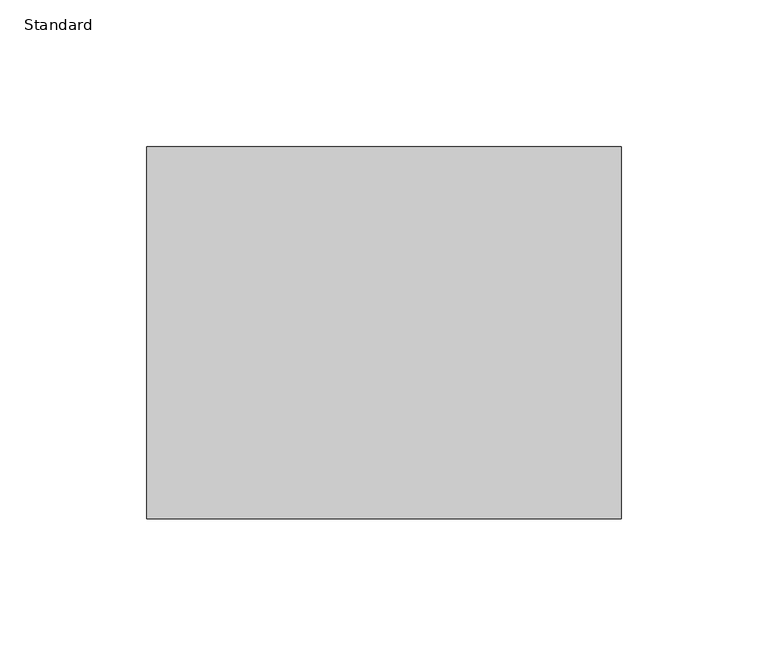
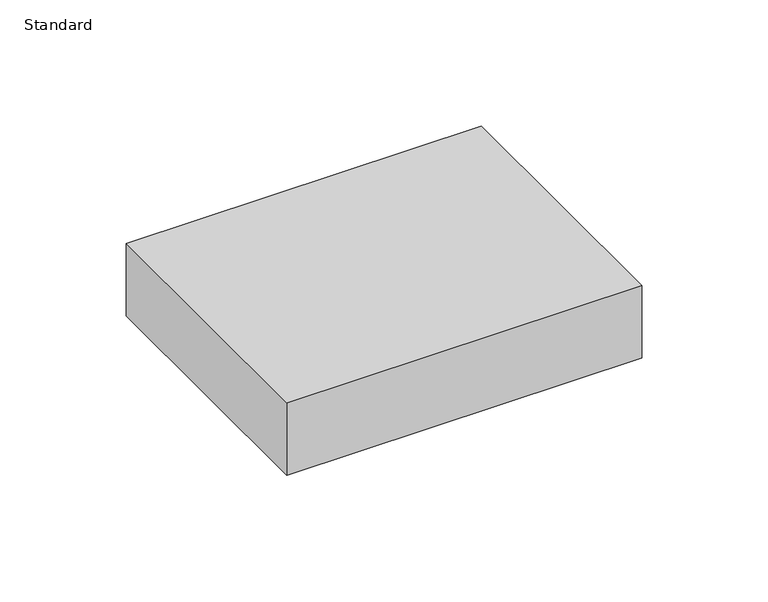
"""IFC4 building model written with IfcOpenShell, lengths in millimetres: proxy geometry, Standard."""

import ifcopenshell
import ifcopenshell.guid

model = None  # the IFC model being written
_history = None  # IfcOwnerHistory: only IFC2X3 demands one
_inside = {}  # id of a spatial element -> (the spatial element, [elements in it])
_under = {}  # id of a project, library or spatial element -> (it, [spatial elements below it])
_declared = {}  # id of a project -> (the project, [libraries it declares])
_typed = {}  # id of a type object -> (the type object, [elements of that type])
_made_of = {}  # id of a material, layer set ... -> (it, [elements and type objects made of it])


def new_model(schema):
    """Start an empty IFC model of exactly this schema.

    Asked for "IFC4X3", IfcOpenShell would pick the latest addendum, in which some entities
    have other attributes; the version numbers below select the first issue.
    IFC2X3 requires an IfcOwnerHistory on every rooted entity: one is made here for all.
    """
    global model, _history
    if schema == "IFC4X3":
        model = ifcopenshell.file(schema_version=(4, 3, 0, 0))
    else:
        model = ifcopenshell.file(schema=schema)
    _inside.clear()
    _under.clear()
    _declared.clear()
    _typed.clear()
    _made_of.clear()
    _history = None
    if model.schema == "IFC2X3":
        org = make("IfcOrganization", Name="unknown")
        user = make(
            "IfcPersonAndOrganization",
            ThePerson=make("IfcPerson", FamilyName="unknown"),
            TheOrganization=org,
        )
        app = make(
            "IfcApplication",
            ApplicationDeveloper=org,
            Version="unknown",
            ApplicationFullName="unknown",
            ApplicationIdentifier="unknown",
        )
        _history = make(
            "IfcOwnerHistory",
            OwningUser=user,
            OwningApplication=app,
            ChangeAction="ADDED",
            CreationDate=0,
        )
    return model


def make(cls, **values):
    """One entity of the class cls with the attributes given. An attribute that is None is left unset."""
    return model.create_entity(
        cls, **{name: value for name, value in values.items() if value is not None}
    )


def rooted(cls, **values):
    """An entity with a GlobalId (a new one), such as an element, a storey or a relation."""
    return make(cls, GlobalId=ifcopenshell.guid.new(), OwnerHistory=_history, **values)


def si_unit(unit_type, name, prefix=None):
    """IfcSIUnit, for example si_unit("LENGTHUNIT", "METRE", prefix="MILLI")."""
    return make("IfcSIUnit", UnitType=unit_type, Prefix=prefix, Name=name)


def assignment(units):
    """IfcUnitAssignment: the units of a project."""
    return None if units is None else make("IfcUnitAssignment", Units=units)


def point(xyz):
    """IfcCartesianPoint."""
    return None if xyz is None else make("IfcCartesianPoint", Coordinates=xyz)


def direction(xyz):
    """IfcDirection."""
    return None if xyz is None else make("IfcDirection", DirectionRatios=xyz)


def frame(location, z_axis=None, x_axis=None):
    """IfcAxis2Placement3D, a coordinate frame: its origin and axes. An axis left out is left unset."""
    return make(
        "IfcAxis2Placement3D",
        Location=point(location),
        Axis=direction(z_axis),
        RefDirection=direction(x_axis),
    )


def origin():
    """The frame at (0, 0, 0) with its axes left unset."""
    return frame((0.0, 0.0, 0.0))


def origin_with_axes():
    """The frame at (0, 0, 0) with the z axis (0, 0, 1) and the x axis (1, 0, 0) written out."""
    return frame((0.0, 0.0, 0.0), z_axis=(0.0, 0.0, 1.0), x_axis=(1.0, 0.0, 0.0))


def place(relative_to, where):
    """IfcLocalPlacement: puts the frame where relative to a parent placement (None: the world)."""
    return make(
        "IfcLocalPlacement", PlacementRelTo=relative_to, RelativePlacement=where
    )


def context(
    kind, dimensions, precision=None, world=None, true_north=None, identifier=None
):
    """IfcGeometricRepresentationContext, for example the 3D "Model" context."""
    return make(
        "IfcGeometricRepresentationContext",
        ContextIdentifier=identifier,
        ContextType=kind,
        CoordinateSpaceDimension=dimensions,
        Precision=precision,
        WorldCoordinateSystem=world,
        TrueNorth=true_north,
    )


def project(units=None, contexts=None):
    """IfcProject with its units and contexts."""
    return rooted(
        "IfcProject",
        Name="project",
        RepresentationContexts=contexts,
        UnitsInContext=assignment(units),
    )


def spatial(cls, under=None, at=None, **own):
    """A site, building, storey or space (cls), placed at a placement, below another one or the project."""
    s = rooted(cls, ObjectPlacement=at, **own)
    if under is not None:
        _under.setdefault(under.id(), (under, []))[1].append(s)
    return s


def polyline(points):
    """IfcPolyline through the points."""
    return make("IfcPolyline", Points=[point(p) for p in points])


def outline(outer, holes=None, kind="AREA"):
    """IfcArbitraryClosedProfileDef: a profile drawn as a closed curve; with holes, ...WithVoids."""
    if holes is None:
        return make("IfcArbitraryClosedProfileDef", ProfileType=kind, OuterCurve=outer)
    return make(
        "IfcArbitraryProfileDefWithVoids",
        ProfileType=kind,
        OuterCurve=outer,
        InnerCurves=holes,
    )


def extrude(swept, where, along, depth):
    """IfcExtrudedAreaSolid: the profile swept, set in the frame where, extruded along a direction by depth."""
    return make(
        "IfcExtrudedAreaSolid",
        SweptArea=swept,
        Position=where,
        ExtrudedDirection=direction(along),
        Depth=depth,
    )


def shape(context_of_items, identifier, shape_type, items):
    """IfcShapeRepresentation: the items that make up one representation, for example the "Body"."""
    return make(
        "IfcShapeRepresentation",
        ContextOfItems=context_of_items,
        RepresentationIdentifier=identifier,
        RepresentationType=shape_type,
        Items=items,
    )


def source(mapping_origin, context_of_items, identifier, shape_type, items):
    """IfcRepresentationMap: a shape defined once, which mapped items show again and again."""
    return make(
        "IfcRepresentationMap",
        MappingOrigin=mapping_origin,
        MappedRepresentation=shape(context_of_items, identifier, shape_type, items),
    )


def transform(
    local_origin,
    x_axis=None,
    y_axis=None,
    z_axis=None,
    scale=None,
    scale2=None,
    scale3=None,
    uniform=True,
):
    """IfcCartesianTransformationOperator3D, or its non-uniform kind. x_axis, y_axis, z_axis: its Axis1, 2, 3."""
    if uniform:
        return make(
            "IfcCartesianTransformationOperator3D",
            Axis1=direction(x_axis),
            Axis2=direction(y_axis),
            LocalOrigin=point(local_origin),
            Scale=scale,
            Axis3=direction(z_axis),
        )
    return make(
        "IfcCartesianTransformationOperator3DnonUniform",
        Axis1=direction(x_axis),
        Axis2=direction(y_axis),
        LocalOrigin=point(local_origin),
        Scale=scale,
        Axis3=direction(z_axis),
        Scale2=scale2,
        Scale3=scale3,
    )


def mapped(mapping_source, mapping_target):
    """IfcMappedItem: shows the shape of a source again, moved by a transform."""
    return make(
        "IfcMappedItem", MappingSource=mapping_source, MappingTarget=mapping_target
    )


def made_of(thing, what):
    """Note that an element or type object is made of a material, layer set ...; save() writes the relation."""
    if what is not None:
        _made_of.setdefault(what.id(), (what, []))[1].append(thing)
    return thing


def element(
    cls,
    number,
    at=None,
    inside=None,
    cuts=None,
    type_object=None,
    material=None,
    context=None,
    identifier="Body",
    shape_type=None,
    held_by="IfcProductDefinitionShape",
    body=None,
    shapes=None,
    **own,
):
    """One element of the class cls, such as IfcWall. Its Tag is "e" and its number.

    at: its placement. inside: the storey or other place that contains it. cuts: it is an
    opening in that element (IfcRelVoidsElement). A single representation is given by context,
    identifier, shape_type and body (its items); several are given by shapes. held_by: the class
    of the entity that holds the representations. save() writes the other relations.
    """
    e = rooted(cls, Tag="e%d" % number, ObjectPlacement=at, **own)
    if body is not None:
        shapes = [shape(context, identifier, shape_type, body)]
    if shapes is not None:
        e.Representation = make(held_by, Representations=shapes)
    if inside is not None:
        _inside.setdefault(inside.id(), (inside, []))[1].append(e)
    if cuts is not None:
        rooted(
            "IfcRelVoidsElement", RelatingBuildingElement=cuts, RelatedOpeningElement=e
        )
    if type_object is not None:
        _typed.setdefault(type_object.id(), (type_object, []))[1].append(e)
    return made_of(e, material)


def aggregate(whole, parts):
    """IfcRelAggregates: a whole, such as a stair, and the parts it consists of."""
    return rooted("IfcRelAggregates", RelatingObject=whole, RelatedObjects=parts)


def save(model, path):
    """Write the relations noted so far, then the file.

    IfcRelAggregates (storeys below a building ...), IfcRelContainedInSpatialStructure (elements
    in a storey), IfcRelDefinesByType, IfcRelAssociatesMaterial and IfcRelDeclares: one each for
    every whole, place, type object, material and project.
    """
    for whole, parts in _under.values():
        aggregate(whole, parts)
    for where, things in _inside.values():
        rooted(
            "IfcRelContainedInSpatialStructure",
            RelatedElements=things,
            RelatingStructure=where,
        )
    for kind, things in _typed.values():
        rooted("IfcRelDefinesByType", RelatedObjects=things, RelatingType=kind)
    for what, things in _made_of.values():
        rooted("IfcRelAssociatesMaterial", RelatedObjects=things, RelatingMaterial=what)
    for by, libraries in _declared.values():
        rooted("IfcRelDeclares", RelatingContext=by, RelatedDefinitions=libraries)
    model.write(path)


def standard_7d83bcbc(model_context):
    return source(origin(), model_context, "Body", "SweptSolid", [
        extrude(outline(polyline([(80.9625, 0.0), (80.9625, -127.0), (-80.9625, -127.0), (-80.9625, 0.0), (80.9625, 0.0)])), origin_with_axes(), (0.0, 0.0, 1.0), 34.925),
    ])


if __name__ == "__main__":
    model = new_model("IFC4")
    model_context = context("Model", 3, world=origin())
    ifc_project = project(units=[si_unit("LENGTHUNIT", "METRE", prefix="MILLI")], contexts=[model_context])
    site = spatial("IfcSite", under=ifc_project)
    building = spatial("IfcBuilding", under=site)
    placement = place(None, origin())
    standard_shape = standard_7d83bcbc(model_context)
    element("IfcBuildingElementProxy", 1, Name="Standard", ObjectType="Standard", at=placement, inside=building, context=model_context, shape_type="MappedRepresentation", body=[
        mapped(standard_shape, transform((0.0, 0.0, 0.0), x_axis=(1.0, 0.0, 0.0), y_axis=(0.0, 1.0, 0.0), z_axis=(0.0, 0.0, 1.0))),
    ])
    save(model, "model.ifc")
